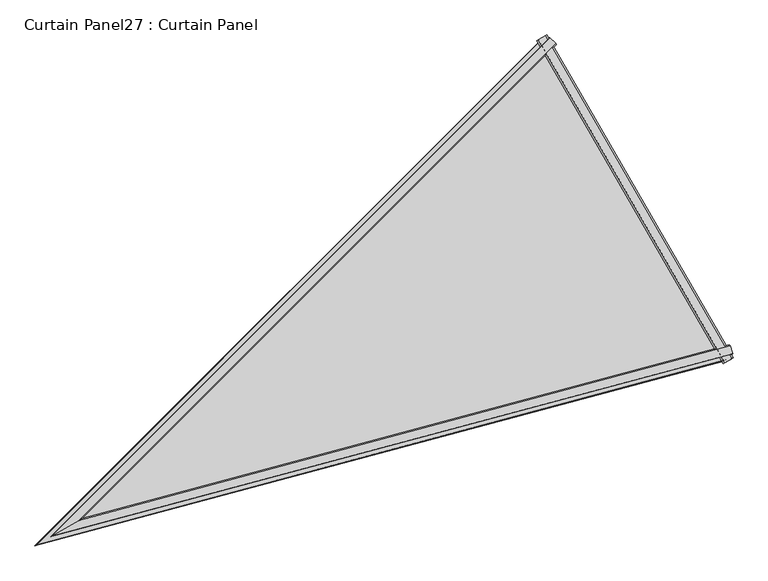
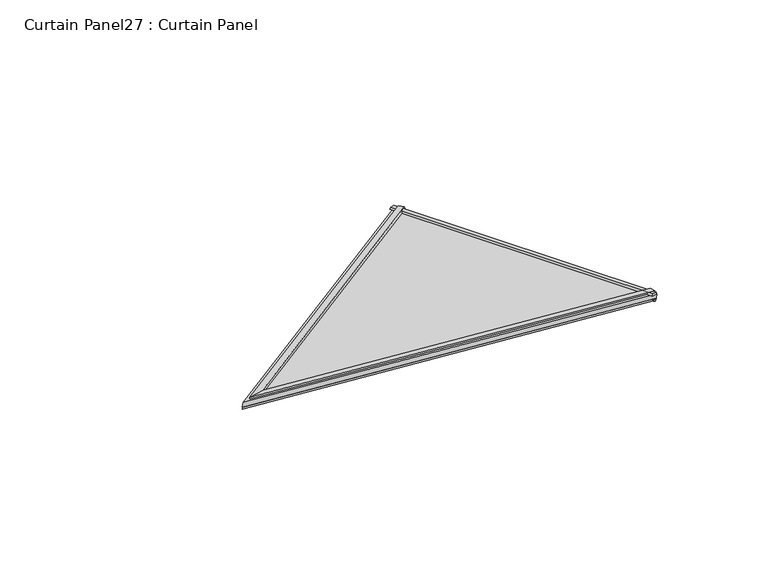
"""IFC4 building model written with IfcOpenShell, lengths in millimetres: plate geometry, Curtain Panel27 : Curtain Panel."""

import ifcopenshell
import ifcopenshell.guid

model = None  # the IFC model being written
_history = None  # IfcOwnerHistory: only IFC2X3 demands one
_inside = {}  # id of a spatial element -> (the spatial element, [elements in it])
_under = {}  # id of a project, library or spatial element -> (it, [spatial elements below it])
_declared = {}  # id of a project -> (the project, [libraries it declares])
_typed = {}  # id of a type object -> (the type object, [elements of that type])
_made_of = {}  # id of a material, layer set ... -> (it, [elements and type objects made of it])


def new_model(schema):
    """Start an empty IFC model of exactly this schema.

    Asked for "IFC4X3", IfcOpenShell would pick the latest addendum, in which some entities
    have other attributes; the version numbers below select the first issue.
    IFC2X3 requires an IfcOwnerHistory on every rooted entity: one is made here for all.
    """
    global model, _history
    if schema == "IFC4X3":
        model = ifcopenshell.file(schema_version=(4, 3, 0, 0))
    else:
        model = ifcopenshell.file(schema=schema)
    _inside.clear()
    _under.clear()
    _declared.clear()
    _typed.clear()
    _made_of.clear()
    _history = None
    if model.schema == "IFC2X3":
        org = make("IfcOrganization", Name="unknown")
        user = make(
            "IfcPersonAndOrganization",
            ThePerson=make("IfcPerson", FamilyName="unknown"),
            TheOrganization=org,
        )
        app = make(
            "IfcApplication",
            ApplicationDeveloper=org,
            Version="unknown",
            ApplicationFullName="unknown",
            ApplicationIdentifier="unknown",
        )
        _history = make(
            "IfcOwnerHistory",
            OwningUser=user,
            OwningApplication=app,
            ChangeAction="ADDED",
            CreationDate=0,
        )
    return model


def make(cls, **values):
    """One entity of the class cls with the attributes given. An attribute that is None is left unset."""
    return model.create_entity(
        cls, **{name: value for name, value in values.items() if value is not None}
    )


def rooted(cls, **values):
    """An entity with a GlobalId (a new one), such as an element, a storey or a relation."""
    return make(cls, GlobalId=ifcopenshell.guid.new(), OwnerHistory=_history, **values)


def si_unit(unit_type, name, prefix=None):
    """IfcSIUnit, for example si_unit("LENGTHUNIT", "METRE", prefix="MILLI")."""
    return make("IfcSIUnit", UnitType=unit_type, Prefix=prefix, Name=name)


def assignment(units):
    """IfcUnitAssignment: the units of a project."""
    return None if units is None else make("IfcUnitAssignment", Units=units)


def point(xyz):
    """IfcCartesianPoint."""
    return None if xyz is None else make("IfcCartesianPoint", Coordinates=xyz)


def direction(xyz):
    """IfcDirection."""
    return None if xyz is None else make("IfcDirection", DirectionRatios=xyz)


def frame(location, z_axis=None, x_axis=None):
    """IfcAxis2Placement3D, a coordinate frame: its origin and axes. An axis left out is left unset."""
    return make(
        "IfcAxis2Placement3D",
        Location=point(location),
        Axis=direction(z_axis),
        RefDirection=direction(x_axis),
    )


def origin():
    """The frame at (0, 0, 0) with its axes left unset."""
    return frame((0.0, 0.0, 0.0))


def place(relative_to, where):
    """IfcLocalPlacement: puts the frame where relative to a parent placement (None: the world)."""
    return make(
        "IfcLocalPlacement", PlacementRelTo=relative_to, RelativePlacement=where
    )


def context(
    kind, dimensions, precision=None, world=None, true_north=None, identifier=None
):
    """IfcGeometricRepresentationContext, for example the 3D "Model" context."""
    return make(
        "IfcGeometricRepresentationContext",
        ContextIdentifier=identifier,
        ContextType=kind,
        CoordinateSpaceDimension=dimensions,
        Precision=precision,
        WorldCoordinateSystem=world,
        TrueNorth=true_north,
    )


def project(units=None, contexts=None):
    """IfcProject with its units and contexts."""
    return rooted(
        "IfcProject",
        Name="project",
        RepresentationContexts=contexts,
        UnitsInContext=assignment(units),
    )


def spatial(cls, under=None, at=None, **own):
    """A site, building, storey or space (cls), placed at a placement, below another one or the project."""
    s = rooted(cls, ObjectPlacement=at, **own)
    if under is not None:
        _under.setdefault(under.id(), (under, []))[1].append(s)
    return s


def polyline(points):
    """IfcPolyline through the points."""
    return make("IfcPolyline", Points=[point(p) for p in points])


def outline(outer, holes=None, kind="AREA"):
    """IfcArbitraryClosedProfileDef: a profile drawn as a closed curve; with holes, ...WithVoids."""
    if holes is None:
        return make("IfcArbitraryClosedProfileDef", ProfileType=kind, OuterCurve=outer)
    return make(
        "IfcArbitraryProfileDefWithVoids",
        ProfileType=kind,
        OuterCurve=outer,
        InnerCurves=holes,
    )


def extrude(swept, where, along, depth):
    """IfcExtrudedAreaSolid: the profile swept, set in the frame where, extruded along a direction by depth."""
    return make(
        "IfcExtrudedAreaSolid",
        SweptArea=swept,
        Position=where,
        ExtrudedDirection=direction(along),
        Depth=depth,
    )


def faces_of(points, faces, orient=None, outer=None):
    """IfcFace entities. A face is a list of loops; a loop is a list of indices into points, from 0.

    orient and outer hold one flag for each loop. By default every Orientation is true, the
    first loop of a face is its IfcFaceOuterBound and the others are IfcFaceBound.
    """
    made = []
    for i, loops in enumerate(faces):
        bounds = []
        for j, loop in enumerate(loops):
            is_outer = j == 0 if outer is None else outer[i][j]
            bounds.append(
                make(
                    "IfcFaceOuterBound" if is_outer else "IfcFaceBound",
                    Bound=make("IfcPolyLoop", Polygon=[points[k] for k in loop]),
                    Orientation=True if orient is None else orient[i][j],
                )
            )
        made.append(make("IfcFace", Bounds=bounds))
    return made


def faceted_brep(points, faces, orient=None, outer=None, voids=None):
    """IfcFacetedBrep: a solid bounded by flat faces; with voids (closed shells), ...WithVoids."""
    shared = [point(p) for p in points]
    hull = make("IfcClosedShell", CfsFaces=faces_of(shared, faces, orient, outer))
    if voids is None:
        return make("IfcFacetedBrep", Outer=hull)
    return make(
        "IfcFacetedBrepWithVoids",
        Outer=hull,
        Voids=[
            make(cls, CfsFaces=faces_of(shared, fs, o, b)) for cls, fs, o, b in voids
        ],
    )


def shape(context_of_items, identifier, shape_type, items):
    """IfcShapeRepresentation: the items that make up one representation, for example the "Body"."""
    return make(
        "IfcShapeRepresentation",
        ContextOfItems=context_of_items,
        RepresentationIdentifier=identifier,
        RepresentationType=shape_type,
        Items=items,
    )


def source(mapping_origin, context_of_items, identifier, shape_type, items):
    """IfcRepresentationMap: a shape defined once, which mapped items show again and again."""
    return make(
        "IfcRepresentationMap",
        MappingOrigin=mapping_origin,
        MappedRepresentation=shape(context_of_items, identifier, shape_type, items),
    )


def transform(
    local_origin,
    x_axis=None,
    y_axis=None,
    z_axis=None,
    scale=None,
    scale2=None,
    scale3=None,
    uniform=True,
):
    """IfcCartesianTransformationOperator3D, or its non-uniform kind. x_axis, y_axis, z_axis: its Axis1, 2, 3."""
    if uniform:
        return make(
            "IfcCartesianTransformationOperator3D",
            Axis1=direction(x_axis),
            Axis2=direction(y_axis),
            LocalOrigin=point(local_origin),
            Scale=scale,
            Axis3=direction(z_axis),
        )
    return make(
        "IfcCartesianTransformationOperator3DnonUniform",
        Axis1=direction(x_axis),
        Axis2=direction(y_axis),
        LocalOrigin=point(local_origin),
        Scale=scale,
        Axis3=direction(z_axis),
        Scale2=scale2,
        Scale3=scale3,
    )


def mapped(mapping_source, mapping_target):
    """IfcMappedItem: shows the shape of a source again, moved by a transform."""
    return make(
        "IfcMappedItem", MappingSource=mapping_source, MappingTarget=mapping_target
    )


def made_of(thing, what):
    """Note that an element or type object is made of a material, layer set ...; save() writes the relation."""
    if what is not None:
        _made_of.setdefault(what.id(), (what, []))[1].append(thing)
    return thing


def element(
    cls,
    number,
    at=None,
    inside=None,
    cuts=None,
    type_object=None,
    material=None,
    context=None,
    identifier="Body",
    shape_type=None,
    held_by="IfcProductDefinitionShape",
    body=None,
    shapes=None,
    **own,
):
    """One element of the class cls, such as IfcWall. Its Tag is "e" and its number.

    at: its placement. inside: the storey or other place that contains it. cuts: it is an
    opening in that element (IfcRelVoidsElement). A single representation is given by context,
    identifier, shape_type and body (its items); several are given by shapes. held_by: the class
    of the entity that holds the representations. save() writes the other relations.
    """
    e = rooted(cls, Tag="e%d" % number, ObjectPlacement=at, **own)
    if body is not None:
        shapes = [shape(context, identifier, shape_type, body)]
    if shapes is not None:
        e.Representation = make(held_by, Representations=shapes)
    if inside is not None:
        _inside.setdefault(inside.id(), (inside, []))[1].append(e)
    if cuts is not None:
        rooted(
            "IfcRelVoidsElement", RelatingBuildingElement=cuts, RelatedOpeningElement=e
        )
    if type_object is not None:
        _typed.setdefault(type_object.id(), (type_object, []))[1].append(e)
    return made_of(e, material)


def aggregate(whole, parts):
    """IfcRelAggregates: a whole, such as a stair, and the parts it consists of."""
    return rooted("IfcRelAggregates", RelatingObject=whole, RelatedObjects=parts)


def save(model, path):
    """Write the relations noted so far, then the file.

    IfcRelAggregates (storeys below a building ...), IfcRelContainedInSpatialStructure (elements
    in a storey), IfcRelDefinesByType, IfcRelAssociatesMaterial and IfcRelDeclares: one each for
    every whole, place, type object, material and project.
    """
    for whole, parts in _under.values():
        aggregate(whole, parts)
    for where, things in _inside.values():
        rooted(
            "IfcRelContainedInSpatialStructure",
            RelatedElements=things,
            RelatingStructure=where,
        )
    for kind, things in _typed.values():
        rooted("IfcRelDefinesByType", RelatedObjects=things, RelatingType=kind)
    for what, things in _made_of.values():
        rooted("IfcRelAssociatesMaterial", RelatedObjects=things, RelatingMaterial=what)
    for by, libraries in _declared.values():
        rooted("IfcRelDeclares", RelatingContext=by, RelatedDefinitions=libraries)
    model.write(path)


def curtain_panel27_curtain_panel_86b3ba23(model_context):
    return source(origin(), model_context, "Body", "SolidModel", [
        faceted_brep([(-11106.4832189, -12661.3834252, 3572.6547395), (-11119.9525167, -12647.4209842, 3573.9539584), (-11118.7600238, -12646.7324981, 3578.917784), (-11107.3069152, -12658.5911449, 3577.8494254), (-10755.0074992, -13270.1566728, 3572.6546623), (-10753.0011617, -13272.2661549, 3577.8493482), (-10748.4578265, -13288.1141613, 3578.9177068), (-10749.6503195, -13288.8026474, 3573.9538812), (-12066.8672806, -13621.7103032, 3936.5722301), (-12131.7787186, -13659.1869394, 3957.3643741), (-12130.5862257, -13658.4984533, 3962.3281997), (-12075.4238625, -13626.6504481, 3944.6971316)], [[[0, 1, 2, 3]], [[4, 5, 6, 7]], [[1, 0, 8, 4, 7, 9]], [[2, 1, 9, 10]], [[3, 2, 10, 11]], [[0, 3, 11, 8]], [[10, 9, 7, 6]], [[11, 10, 6, 5]], [[8, 11, 5, 4]]]),
        faceted_brep([(-11129.8296406, -12643.9171294, 3557.1342491), (-11128.6196996, -12643.2185697, 3562.1707031), (-11120.9268391, -12651.1930843, 3561.4286667), (-11121.7404871, -12652.0067323, 3557.1343342), (-10751.5544541, -13299.108415, 3557.1341719), (-10754.515679, -13288.0582011, 3557.134257), (-10753.4042151, -13287.7603853, 3561.4285895), (-10750.3445132, -13298.4098553, 3562.1706259), (-12163.4415233, -13677.4674682, 3948.7998937), (-12162.2315823, -13676.7689085, 3953.8363477), (-12125.1580356, -13655.3644863, 3941.9611137), (-12125.1579209, -13655.3644201, 3937.3584228)], [[[0, 1, 2, 3]], [[4, 5, 6, 7]], [[1, 0, 8, 9]], [[2, 1, 9, 7, 6, 10]], [[3, 2, 10, 11]], [[0, 3, 11, 8]], [[9, 8, 4, 7]], [[11, 10, 6, 5]], [[8, 11, 5, 4]]]),
        extrude(outline(polyline([(22.6434883, -5.1229323), (22.7898929, -21.7880312), (17.5121094, -24.4799349), (17.5121095, -3.8647701), (22.6434883, -5.1229323)])), frame((-10751.4297846, -13299.0606574, 3557.6307522), z_axis=(-0.49999999999999456, 0.8660254037844417, 0.0), x_axis=(0.23149479148832972, 0.13365358018178153, 0.9636113749942801)), (0.0, 0.0, 1.0), 756.5917929),
        extrude(outline(polyline([(0.2320421, -12.8861291), (-2.750889, -2.1324587), (4.7128907, -0.0621014), (4.7128907, -13.7808072), (0.2320421, -12.8861291)])), frame((-10751.4297846, -13299.0606574, 3557.6307522), z_axis=(-0.49999999999999456, 0.8660254037844417, 0.0), x_axis=(0.23149479148832972, 0.13365358018178153, 0.9636113749942801)), (0.0, 0.0, 1.0), 756.5917929),
        extrude(outline(polyline([(-16.255247, 0.0), (-394.551134, -1465.3081702), (-772.8470209, 1e-07), (-16.255247, 0.0)])), frame((-10742.2111871, -13312.5081579, 3562.1721473), z_axis=(0.23149479148832977, 0.13365358018178158, 0.9636113749942801), x_axis=(0.49999999999999434, -0.8660254037844419, 0.0)), (0.0, 0.0, 1.0), 12.7992188),
    ])


if __name__ == "__main__":
    model = new_model("IFC4")
    model_context = context("Model", 3, world=origin())
    ifc_project = project(units=[si_unit("LENGTHUNIT", "METRE", prefix="MILLI")], contexts=[model_context])
    site = spatial("IfcSite", under=ifc_project)
    building = spatial("IfcBuilding", under=site)
    placement = place(None, origin())
    curtain_panel27_curtain_panel_shape = curtain_panel27_curtain_panel_86b3ba23(model_context)
    element("IfcPlate", 1, ObjectType="Curtain Panel27 : Curtain Panel", at=placement, inside=building, context=model_context, shape_type="MappedRepresentation", body=[
        mapped(curtain_panel27_curtain_panel_shape, transform((0.0, 0.0, 0.0), x_axis=(1.0, 0.0, 0.0), y_axis=(0.0, 1.0, 0.0), z_axis=(0.0, 0.0, 1.0))),
    ])
    save(model, "model.ifc")
